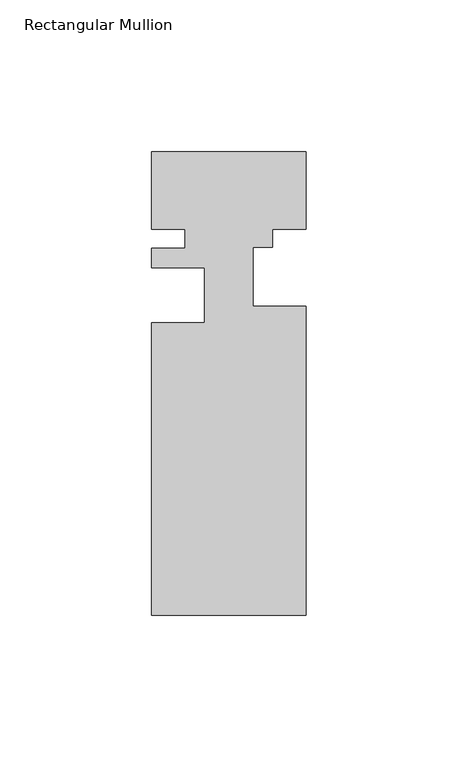
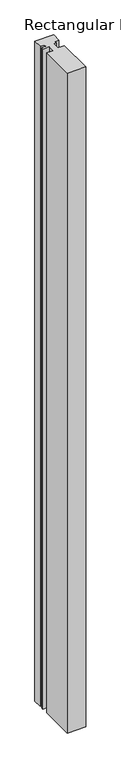
"""IFC4 building model written with IfcOpenShell, lengths in millimetres: member geometry, Rectangular Mullion."""

from ifc_helpers import new_model, si_unit, frame, origin, place, context, project, spatial, polyline, outline, extrude, source, transform, mapped, element, save


def rectangular_mullion_d3968a73(model_context):
    return source(origin(), model_context, "Body", "SweptSolid", [
        extrude(outline(polyline([(25.4, -25.4), (14.3, -25.4), (14.3, -31.4046212), (7.9502, -31.4046212), (7.9502, -50.8), (25.4, -50.8), (25.4, -152.4), (-25.4, -152.4), (-25.4, -56.1605546), (-7.9501389, -56.1605546), (-7.9501389, -38.1118077), (-25.4, -38.1118077), (-25.4, -31.75), (-14.398625, -31.75), (-14.398625, -25.4), (-25.4, -25.4), (-25.4, 0.0), (25.4, 0.0), (25.4, -25.4)])), frame((0.0, 0.0, -1904.999416), z_axis=(0.0, 0.0, 1.0), x_axis=(1.0, 0.0, 0.0)), (0.0, 0.0, 1.0), 1904.999416),
    ])


if __name__ == "__main__":
    model = new_model("IFC4")
    model_context = context("Model", 3, world=origin())
    ifc_project = project(units=[si_unit("LENGTHUNIT", "METRE", prefix="MILLI")], contexts=[model_context])
    site = spatial("IfcSite", under=ifc_project)
    building = spatial("IfcBuilding", under=site)
    placement = place(None, origin())
    rectangular_mullion_shape = rectangular_mullion_d3968a73(model_context)
    element("IfcMember", 1, ObjectType="Rectangular Mullion", at=placement, inside=building, context=model_context, shape_type="MappedRepresentation", body=[
        mapped(rectangular_mullion_shape, transform((0.0, 0.0, 0.0), x_axis=(1.0, 0.0, 0.0), y_axis=(0.0, 1.0, 0.0), z_axis=(0.0, 0.0, 1.0))),
    ])
    save(model, "model.ifc")
